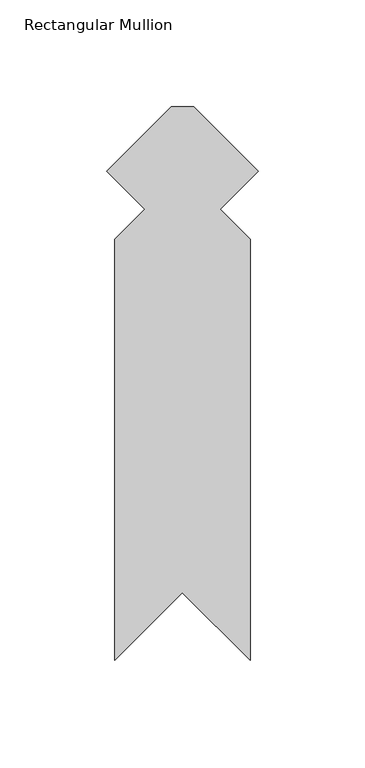
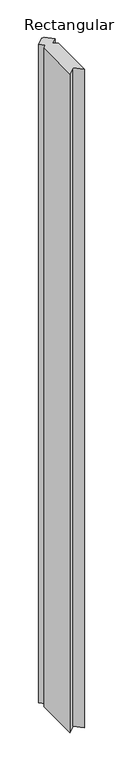
"""IFC4 building model written with IfcOpenShell, lengths in millimetres: member geometry, Rectangular Mullion."""

from ifc_helpers import new_model, si_unit, frame, origin, place, context, project, spatial, polyline, outline, extrude, source, transform, mapped, element, save


def rectangular_mullion_14ef0573(model_context):
    return source(origin(), model_context, "Body", "SweptSolid", [
        extrude(outline(polyline([(-67.36151, -259.9063415), (-67.36151, -62.3407069), (-53.2625079, -48.2417048), (-71.2230199, -30.2811927), (-40.9418272, 0.0), (-30.2811927, 0.0), (0.0, -30.2811927), (-17.9605121, -48.2417048), (-3.86151, -62.3407069), (-3.86151, -259.9063413), (-35.6115099, -228.1563414), (-67.36151, -259.9063415)])), frame((0.0, 0.0, -3048.0), z_axis=(0.0, 0.0, 1.0), x_axis=(1.0, 0.0, 0.0)), (0.0, 0.0, 1.0), 3048.0),
    ])


if __name__ == "__main__":
    model = new_model("IFC4")
    model_context = context("Model", 3, world=origin())
    ifc_project = project(units=[si_unit("LENGTHUNIT", "METRE", prefix="MILLI")], contexts=[model_context])
    site = spatial("IfcSite", under=ifc_project)
    building = spatial("IfcBuilding", under=site)
    placement = place(None, origin())
    rectangular_mullion_shape = rectangular_mullion_14ef0573(model_context)
    element("IfcMember", 1, ObjectType="Rectangular Mullion", at=placement, inside=building, context=model_context, shape_type="MappedRepresentation", body=[
        mapped(rectangular_mullion_shape, transform((0.0, 0.0, 0.0), x_axis=(1.0, 0.0, 0.0), y_axis=(0.0, 1.0, 0.0), z_axis=(0.0, 0.0, 1.0))),
    ])
    save(model, "model.ifc")
